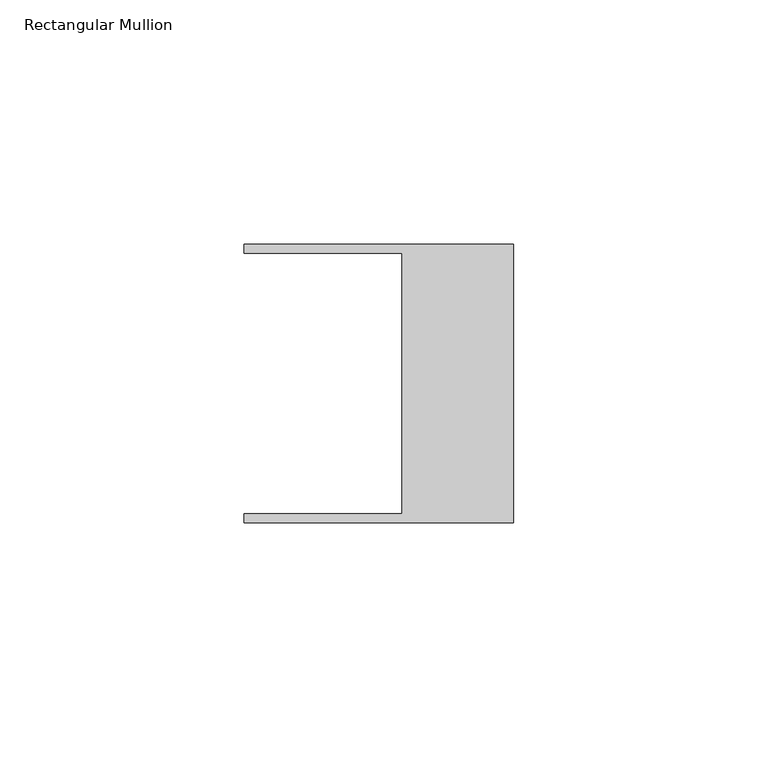
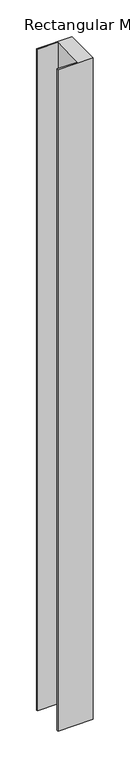
"""IFC4 building model written with IfcOpenShell, lengths in millimetres: member geometry, Rectangular Mullion."""

from ifc_helpers import new_model, si_unit, frame, origin, place, context, project, spatial, polyline, outline, extrude, source, transform, mapped, element, save


def rectangular_mullion_83d09cda(model_context):
    return source(origin(), model_context, "Body", "SweptSolid", [
        extrude(outline(polyline([(-55.118, 26.67), (-55.118, 28.448), (0.0, 28.448), (0.0, -28.448), (-55.118, -28.448), (-55.118, -26.67), (-22.86, -26.67), (-22.86, 26.67), (-55.118, 26.67)])), frame((0.0, 0.0, -1092.2), z_axis=(0.0, 0.0, 1.0), x_axis=(1.0, 0.0, 0.0)), (0.0, 0.0, 1.0), 1092.2),
    ])


if __name__ == "__main__":
    model = new_model("IFC4")
    model_context = context("Model", 3, world=origin())
    ifc_project = project(units=[si_unit("LENGTHUNIT", "METRE", prefix="MILLI")], contexts=[model_context])
    site = spatial("IfcSite", under=ifc_project)
    building = spatial("IfcBuilding", under=site)
    placement = place(None, origin())
    rectangular_mullion_shape = rectangular_mullion_83d09cda(model_context)
    element("IfcMember", 1, ObjectType="Rectangular Mullion", at=placement, inside=building, context=model_context, shape_type="MappedRepresentation", body=[
        mapped(rectangular_mullion_shape, transform((0.0, 0.0, 0.0), x_axis=(1.0, 0.0, 0.0), y_axis=(0.0, 1.0, 0.0), z_axis=(0.0, 0.0, 1.0))),
    ])
    save(model, "model.ifc")
